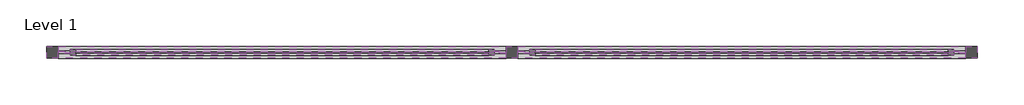
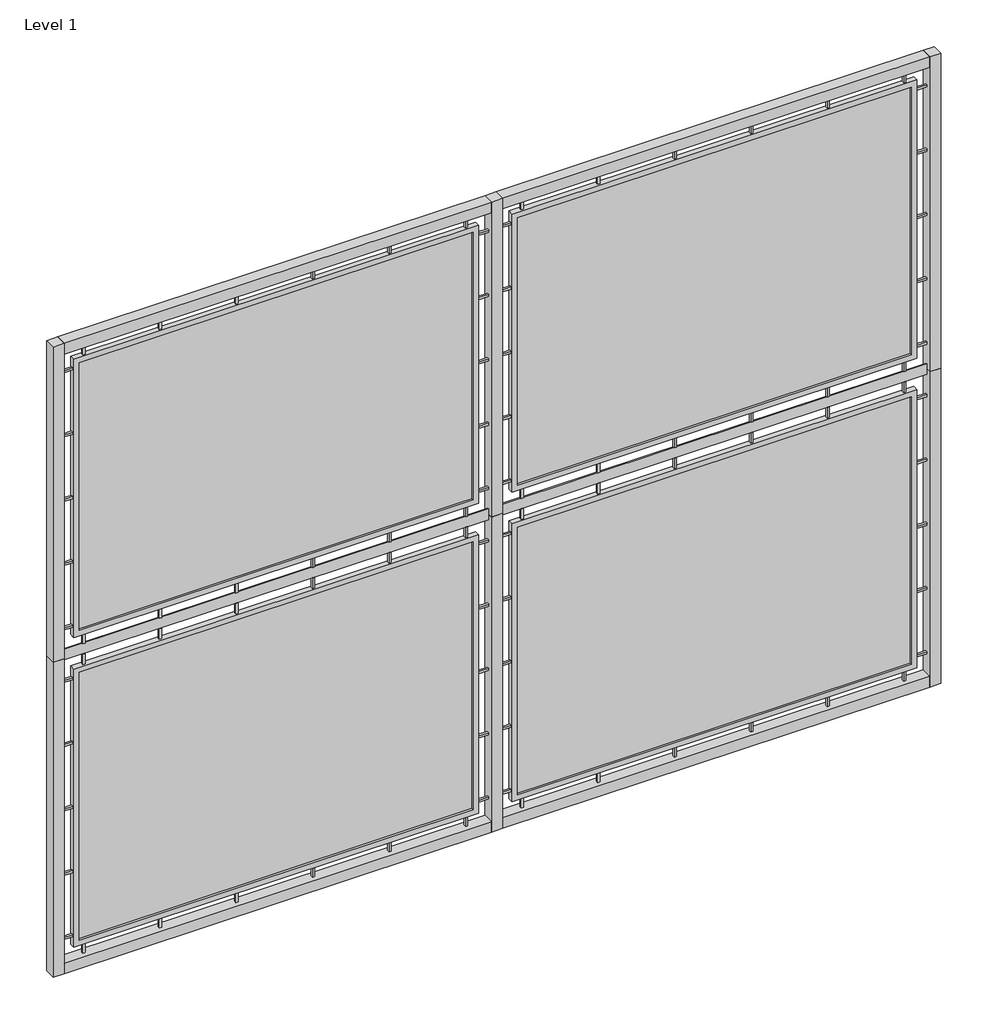
# One storey: 12 members, 4 plates.
"""IFC4 building model written with IfcOpenShell, lengths in millimetres."""

import ifcopenshell
import ifcopenshell.guid

model = None  # the IFC model being written
_history = None  # IfcOwnerHistory: only IFC2X3 demands one
_inside = {}  # id of a spatial element -> (the spatial element, [elements in it])
_under = {}  # id of a project, library or spatial element -> (it, [spatial elements below it])
_declared = {}  # id of a project -> (the project, [libraries it declares])
_typed = {}  # id of a type object -> (the type object, [elements of that type])
_made_of = {}  # id of a material, layer set ... -> (it, [elements and type objects made of it])


def new_model(schema):
    """Start an empty IFC model of exactly this schema.

    Asked for "IFC4X3", IfcOpenShell would pick the latest addendum, in which some entities
    have other attributes; the version numbers below select the first issue.
    IFC2X3 requires an IfcOwnerHistory on every rooted entity: one is made here for all.
    """
    global model, _history
    if schema == "IFC4X3":
        model = ifcopenshell.file(schema_version=(4, 3, 0, 0))
    else:
        model = ifcopenshell.file(schema=schema)
    _inside.clear()
    _under.clear()
    _declared.clear()
    _typed.clear()
    _made_of.clear()
    _history = None
    if model.schema == "IFC2X3":
        org = make("IfcOrganization", Name="unknown")
        user = make(
            "IfcPersonAndOrganization",
            ThePerson=make("IfcPerson", FamilyName="unknown"),
            TheOrganization=org,
        )
        app = make(
            "IfcApplication",
            ApplicationDeveloper=org,
            Version="unknown",
            ApplicationFullName="unknown",
            ApplicationIdentifier="unknown",
        )
        _history = make(
            "IfcOwnerHistory",
            OwningUser=user,
            OwningApplication=app,
            ChangeAction="ADDED",
            CreationDate=0,
        )
    return model


def make(cls, **values):
    """One entity of the class cls with the attributes given. An attribute that is None is left unset."""
    return model.create_entity(
        cls, **{name: value for name, value in values.items() if value is not None}
    )


def rooted(cls, **values):
    """An entity with a GlobalId (a new one), such as an element, a storey or a relation."""
    return make(cls, GlobalId=ifcopenshell.guid.new(), OwnerHistory=_history, **values)


def si_unit(unit_type, name, prefix=None):
    """IfcSIUnit, for example si_unit("LENGTHUNIT", "METRE", prefix="MILLI")."""
    return make("IfcSIUnit", UnitType=unit_type, Prefix=prefix, Name=name)


def assignment(units):
    """IfcUnitAssignment: the units of a project."""
    return None if units is None else make("IfcUnitAssignment", Units=units)


def point(xyz):
    """IfcCartesianPoint."""
    return None if xyz is None else make("IfcCartesianPoint", Coordinates=xyz)


def direction(xyz):
    """IfcDirection."""
    return None if xyz is None else make("IfcDirection", DirectionRatios=xyz)


def frame(location, z_axis=None, x_axis=None):
    """IfcAxis2Placement3D, a coordinate frame: its origin and axes. An axis left out is left unset."""
    return make(
        "IfcAxis2Placement3D",
        Location=point(location),
        Axis=direction(z_axis),
        RefDirection=direction(x_axis),
    )


def origin():
    """The frame at (0, 0, 0) with its axes left unset."""
    return frame((0.0, 0.0, 0.0))


def origin_with_axes():
    """The frame at (0, 0, 0) with the z axis (0, 0, 1) and the x axis (1, 0, 0) written out."""
    return frame((0.0, 0.0, 0.0), z_axis=(0.0, 0.0, 1.0), x_axis=(1.0, 0.0, 0.0))


def place(relative_to, where):
    """IfcLocalPlacement: puts the frame where relative to a parent placement (None: the world)."""
    return make(
        "IfcLocalPlacement", PlacementRelTo=relative_to, RelativePlacement=where
    )


def context(
    kind, dimensions, precision=None, world=None, true_north=None, identifier=None
):
    """IfcGeometricRepresentationContext, for example the 3D "Model" context."""
    return make(
        "IfcGeometricRepresentationContext",
        ContextIdentifier=identifier,
        ContextType=kind,
        CoordinateSpaceDimension=dimensions,
        Precision=precision,
        WorldCoordinateSystem=world,
        TrueNorth=true_north,
    )


def project(units=None, contexts=None):
    """IfcProject with its units and contexts."""
    return rooted(
        "IfcProject",
        Name="project",
        RepresentationContexts=contexts,
        UnitsInContext=assignment(units),
    )


def spatial(cls, under=None, at=None, **own):
    """A site, building, storey or space (cls), placed at a placement, below another one or the project."""
    s = rooted(cls, ObjectPlacement=at, **own)
    if under is not None:
        _under.setdefault(under.id(), (under, []))[1].append(s)
    return s


def polyline(points):
    """IfcPolyline through the points."""
    return make("IfcPolyline", Points=[point(p) for p in points])


def outline(outer, holes=None, kind="AREA"):
    """IfcArbitraryClosedProfileDef: a profile drawn as a closed curve; with holes, ...WithVoids."""
    if holes is None:
        return make("IfcArbitraryClosedProfileDef", ProfileType=kind, OuterCurve=outer)
    return make(
        "IfcArbitraryProfileDefWithVoids",
        ProfileType=kind,
        OuterCurve=outer,
        InnerCurves=holes,
    )


def extrude(swept, where, along, depth):
    """IfcExtrudedAreaSolid: the profile swept, set in the frame where, extruded along a direction by depth."""
    return make(
        "IfcExtrudedAreaSolid",
        SweptArea=swept,
        Position=where,
        ExtrudedDirection=direction(along),
        Depth=depth,
    )


def shape(context_of_items, identifier, shape_type, items):
    """IfcShapeRepresentation: the items that make up one representation, for example the "Body"."""
    return make(
        "IfcShapeRepresentation",
        ContextOfItems=context_of_items,
        RepresentationIdentifier=identifier,
        RepresentationType=shape_type,
        Items=items,
    )


def source(mapping_origin, context_of_items, identifier, shape_type, items):
    """IfcRepresentationMap: a shape defined once, which mapped items show again and again."""
    return make(
        "IfcRepresentationMap",
        MappingOrigin=mapping_origin,
        MappedRepresentation=shape(context_of_items, identifier, shape_type, items),
    )


def transform(
    local_origin,
    x_axis=None,
    y_axis=None,
    z_axis=None,
    scale=None,
    scale2=None,
    scale3=None,
    uniform=True,
):
    """IfcCartesianTransformationOperator3D, or its non-uniform kind. x_axis, y_axis, z_axis: its Axis1, 2, 3."""
    if uniform:
        return make(
            "IfcCartesianTransformationOperator3D",
            Axis1=direction(x_axis),
            Axis2=direction(y_axis),
            LocalOrigin=point(local_origin),
            Scale=scale,
            Axis3=direction(z_axis),
        )
    return make(
        "IfcCartesianTransformationOperator3DnonUniform",
        Axis1=direction(x_axis),
        Axis2=direction(y_axis),
        LocalOrigin=point(local_origin),
        Scale=scale,
        Axis3=direction(z_axis),
        Scale2=scale2,
        Scale3=scale3,
    )


def mapped(mapping_source, mapping_target):
    """IfcMappedItem: shows the shape of a source again, moved by a transform."""
    return make(
        "IfcMappedItem", MappingSource=mapping_source, MappingTarget=mapping_target
    )


def made_of(thing, what):
    """Note that an element or type object is made of a material, layer set ...; save() writes the relation."""
    if what is not None:
        _made_of.setdefault(what.id(), (what, []))[1].append(thing)
    return thing


def element(
    cls,
    number,
    at=None,
    inside=None,
    cuts=None,
    type_object=None,
    material=None,
    context=None,
    identifier="Body",
    shape_type=None,
    held_by="IfcProductDefinitionShape",
    body=None,
    shapes=None,
    **own,
):
    """One element of the class cls, such as IfcWall. Its Tag is "e" and its number.

    at: its placement. inside: the storey or other place that contains it. cuts: it is an
    opening in that element (IfcRelVoidsElement). A single representation is given by context,
    identifier, shape_type and body (its items); several are given by shapes. held_by: the class
    of the entity that holds the representations. save() writes the other relations.
    """
    e = rooted(cls, Tag="e%d" % number, ObjectPlacement=at, **own)
    if body is not None:
        shapes = [shape(context, identifier, shape_type, body)]
    if shapes is not None:
        e.Representation = make(held_by, Representations=shapes)
    if inside is not None:
        _inside.setdefault(inside.id(), (inside, []))[1].append(e)
    if cuts is not None:
        rooted(
            "IfcRelVoidsElement", RelatingBuildingElement=cuts, RelatedOpeningElement=e
        )
    if type_object is not None:
        _typed.setdefault(type_object.id(), (type_object, []))[1].append(e)
    return made_of(e, material)


def aggregate(whole, parts):
    """IfcRelAggregates: a whole, such as a stair, and the parts it consists of."""
    return rooted("IfcRelAggregates", RelatingObject=whole, RelatedObjects=parts)


def save(model, path):
    """Write the relations noted so far, then the file.

    IfcRelAggregates (storeys below a building ...), IfcRelContainedInSpatialStructure (elements
    in a storey), IfcRelDefinesByType, IfcRelAssociatesMaterial and IfcRelDeclares: one each for
    every whole, place, type object, material and project.
    """
    for whole, parts in _under.values():
        aggregate(whole, parts)
    for where, things in _inside.values():
        rooted(
            "IfcRelContainedInSpatialStructure",
            RelatedElements=things,
            RelatingStructure=where,
        )
    for kind, things in _typed.values():
        rooted("IfcRelDefinesByType", RelatedObjects=things, RelatingType=kind)
    for what, things in _made_of.values():
        rooted("IfcRelAssociatesMaterial", RelatedObjects=things, RelatingMaterial=what)
    for by, libraries in _declared.values():
        rooted("IfcRelDeclares", RelatingContext=by, RelatedDefinitions=libraries)
    model.write(path)


def rectangular_mullion_51mm_x_51mm_wire_mesh_12a4ddc7(model_context):
    return source(origin(), model_context, "Body", "SweptSolid", [
        extrude(outline(polyline([(0.0, 25.5), (0.0, -25.5), (-50.8, -25.5), (-50.8, 25.5), (0.0, 25.5)])), frame((0.0, 0.0, -1923.8), z_axis=(0.0, 0.0, 1.0), x_axis=(1.0, 0.0, 0.0)), (0.0, 0.0, 1.0), 1923.8),
    ])


def rectangular_mullion_51mm_x_51mm_wire_mesh_c18c90df(model_context):
    return source(origin(), model_context, "Body", "SweptSolid", [
        extrude(outline(polyline([(25.4, 25.5), (25.4, -25.5), (-25.4, -25.5), (-25.4, 25.5), (25.4, 25.5)])), frame((0.0, 0.0, -1500.0), z_axis=(0.0, 0.0, 1.0), x_axis=(1.0, 0.0, 0.0)), (0.0, 0.0, 1.0), 1500.0),
    ])


def rectangular_mullion_51mm_x_51mm_wire_mesh_1dc75150(model_context):
    return source(origin(), model_context, "Body", "SweptSolid", [
        extrude(outline(polyline([(0.0, 25.5), (0.0, -25.5), (-50.8, -25.5), (-50.8, 25.5), (0.0, 25.5)])), frame((0.0, 0.0, -1500.0), z_axis=(0.0, 0.0, 1.0), x_axis=(1.0, 0.0, 0.0)), (0.0, 0.0, 1.0), 1500.0),
    ])


def rectangular_mullion_51mm_x_6mm_wire_mesh_angle_e69eb967(model_context):
    return source(origin(), model_context, "Body", "SweptSolid", [
        extrude(outline(polyline([(25.0, 3.0), (25.0, -3.0), (-25.0, -3.0), (-25.0, 3.0), (25.0, 3.0)])), frame((0.0, 0.0, -1923.8), z_axis=(0.0, 0.0, 1.0), x_axis=(1.0, 0.0, 0.0)), (0.0, 0.0, 1.0), 1923.8),
    ])


def mesh_panel_mesh_panel_909ffc07(model_context):
    return source(origin(), model_context, "Body", "SweptSolid", [
        extrude(outline(polyline([(-856.9, 5.0), (-856.9, -5.0), (-866.9, -5.0), (-866.9, 5.0), (-856.9, 5.0)])), frame((0.0, 0.0, 1374.2), z_axis=(0.0, 0.0, 1.0), x_axis=(1.0, 0.0, 0.0)), (0.0, 0.0, 1.0), 50.0),
        extrude(outline(polyline([(-856.9, 5.0), (-856.9, -5.0), (-866.9, -5.0), (-866.9, 5.0), (-856.9, 5.0)])), origin_with_axes(), (0.0, 0.0, 1.0), 50.0),
        extrude(outline(polyline([(-512.14, 5.0), (-512.14, -5.0), (-522.14, -5.0), (-522.14, 5.0), (-512.14, 5.0)])), frame((0.0, 0.0, 1374.2), z_axis=(0.0, 0.0, 1.0), x_axis=(1.0, 0.0, 0.0)), (0.0, 0.0, 1.0), 50.0),
        extrude(outline(polyline([(-512.14, 5.0), (-512.14, -5.0), (-522.14, -5.0), (-522.14, 5.0), (-512.14, 5.0)])), origin_with_axes(), (0.0, 0.0, 1.0), 50.0),
        extrude(outline(polyline([(-167.38, 5.0), (-167.38, -5.0), (-177.38, -5.0), (-177.38, 5.0), (-167.38, 5.0)])), frame((0.0, 0.0, 1374.2), z_axis=(0.0, 0.0, 1.0), x_axis=(1.0, 0.0, 0.0)), (0.0, 0.0, 1.0), 50.0),
        extrude(outline(polyline([(-167.38, 5.0), (-167.38, -5.0), (-177.38, -5.0), (-177.38, 5.0), (-167.38, 5.0)])), origin_with_axes(), (0.0, 0.0, 1.0), 50.0),
        extrude(outline(polyline([(177.38, 5.0), (177.38, -5.0), (167.38, -5.0), (167.38, 5.0), (177.38, 5.0)])), frame((0.0, 0.0, 1374.2), z_axis=(0.0, 0.0, 1.0), x_axis=(1.0, 0.0, 0.0)), (0.0, 0.0, 1.0), 50.0),
        extrude(outline(polyline([(177.38, 5.0), (177.38, -5.0), (167.38, -5.0), (167.38, 5.0), (177.38, 5.0)])), origin_with_axes(), (0.0, 0.0, 1.0), 50.0),
        extrude(outline(polyline([(522.14, 5.0), (522.14, -5.0), (512.14, -5.0), (512.14, 5.0), (522.14, 5.0)])), frame((0.0, 0.0, 1374.2), z_axis=(0.0, 0.0, 1.0), x_axis=(1.0, 0.0, 0.0)), (0.0, 0.0, 1.0), 50.0),
        extrude(outline(polyline([(522.14, 5.0), (522.14, -5.0), (512.14, -5.0), (512.14, 5.0), (522.14, 5.0)])), origin_with_axes(), (0.0, 0.0, 1.0), 50.0),
        extrude(outline(polyline([(-961.9, -5.0), (-961.9, 5.0), (-911.9, 5.0), (-911.9, -5.0), (-961.9, -5.0)])), frame((0.0, 0.0, 1319.2), z_axis=(0.0, 0.0, 1.0), x_axis=(1.0, 0.0, 0.0)), (0.0, 0.0, 1.0), 10.0),
        extrude(outline(polyline([(911.9, -5.0), (911.9, 5.0), (961.9, 5.0), (961.9, -5.0), (911.9, -5.0)])), frame((0.0, 0.0, 1319.2), z_axis=(0.0, 0.0, 1.0), x_axis=(1.0, 0.0, 0.0)), (0.0, 0.0, 1.0), 10.0),
        extrude(outline(polyline([(-961.9, -5.0), (-961.9, 5.0), (-911.9, 5.0), (-911.9, -5.0), (-961.9, -5.0)])), frame((0.0, 0.0, 1013.15), z_axis=(0.0, 0.0, 1.0), x_axis=(1.0, 0.0, 0.0)), (0.0, 0.0, 1.0), 10.0),
        extrude(outline(polyline([(911.9, -5.0), (911.9, 5.0), (961.9, 5.0), (961.9, -5.0), (911.9, -5.0)])), frame((0.0, 0.0, 1013.15), z_axis=(0.0, 0.0, 1.0), x_axis=(1.0, 0.0, 0.0)), (0.0, 0.0, 1.0), 10.0),
        extrude(outline(polyline([(-961.9, -5.0), (-961.9, 5.0), (-911.9, 5.0), (-911.9, -5.0), (-961.9, -5.0)])), frame((0.0, 0.0, 707.1), z_axis=(0.0, 0.0, 1.0), x_axis=(1.0, 0.0, 0.0)), (0.0, 0.0, 1.0), 10.0),
        extrude(outline(polyline([(911.9, -5.0), (911.9, 5.0), (961.9, 5.0), (961.9, -5.0), (911.9, -5.0)])), frame((0.0, 0.0, 707.1), z_axis=(0.0, 0.0, 1.0), x_axis=(1.0, 0.0, 0.0)), (0.0, 0.0, 1.0), 10.0),
        extrude(outline(polyline([(-961.9, -5.0), (-961.9, 5.0), (-911.9, 5.0), (-911.9, -5.0), (-961.9, -5.0)])), frame((0.0, 0.0, 401.05), z_axis=(0.0, 0.0, 1.0), x_axis=(1.0, 0.0, 0.0)), (0.0, 0.0, 1.0), 10.0),
        extrude(outline(polyline([(911.9, -5.0), (911.9, 5.0), (961.9, 5.0), (961.9, -5.0), (911.9, -5.0)])), frame((0.0, 0.0, 401.05), z_axis=(0.0, 0.0, 1.0), x_axis=(1.0, 0.0, 0.0)), (0.0, 0.0, 1.0), 10.0),
        extrude(outline(polyline([(-961.9, -5.0), (-961.9, 5.0), (-911.9, 5.0), (-911.9, -5.0), (-961.9, -5.0)])), frame((0.0, 0.0, 95.0), z_axis=(0.0, 0.0, 1.0), x_axis=(1.0, 0.0, 0.0)), (0.0, 0.0, 1.0), 10.0),
        extrude(outline(polyline([(911.9, -5.0), (911.9, 5.0), (961.9, 5.0), (961.9, -5.0), (911.9, -5.0)])), frame((0.0, 0.0, 95.0), z_axis=(0.0, 0.0, 1.0), x_axis=(1.0, 0.0, 0.0)), (0.0, 0.0, 1.0), 10.0),
        extrude(outline(polyline([(866.9, 5.0), (866.9, -5.0), (856.9, -5.0), (856.9, 5.0), (866.9, 5.0)])), frame((0.0, 0.0, 1374.2), z_axis=(0.0, 0.0, 1.0), x_axis=(1.0, 0.0, 0.0)), (0.0, 0.0, 1.0), 50.0),
        extrude(outline(polyline([(866.9, 5.0), (866.9, -5.0), (856.9, -5.0), (856.9, 5.0), (866.9, 5.0)])), origin_with_axes(), (0.0, 0.0, 1.0), 50.0),
        extrude(outline(polyline([(886.9, -2.0), (-886.9, -2.0), (-886.9, 2.0), (886.9, 2.0), (886.9, -2.0)])), frame((0.0, 0.0, 75.0), z_axis=(0.0, 0.0, 1.0), x_axis=(1.0, 0.0, 0.0)), (0.0, 0.0, 1.0), 1274.2),
        extrude(outline(polyline([(50.0, -911.9), (50.0, 911.9), (1374.2, 911.9), (1374.2, -911.9), (50.0, -911.9)]), holes=[polyline([(1349.2, -886.9), (1349.2, 886.9), (75.0, 886.9), (75.0, -886.9), (1349.2, -886.9)])]), frame((0.0, -12.5, 0.0), z_axis=(0.0, 1.0, 0.0), x_axis=(0.0, 0.0, 1.0)), (0.0, 0.0, 1.0), 25.0),
    ])


model = new_model("IFC4")

# Units and contexts
model_context = context("Model", 3, world=origin())
ifc_project = project(units=[si_unit("LENGTHUNIT", "METRE", prefix="MILLI")], contexts=[model_context])

# Site, building, storey
site = spatial("IfcSite", under=ifc_project)
building = spatial("IfcBuilding", under=site)
storey = spatial("IfcBuildingStorey", under=building, Name="Level 1", Elevation=0.0)

# Members
placement = place(None, origin())
rectangular_mullion_51mm_x_51mm_wire_mesh_shape = rectangular_mullion_51mm_x_51mm_wire_mesh_12a4ddc7(model_context)
element("IfcMember", 1, ObjectType="Rectangular Mullion : 51mm x 51mm - Wire Mesh", at=placement, inside=storey, context=model_context, shape_type="MappedRepresentation", body=[
    mapped(rectangular_mullion_51mm_x_51mm_wire_mesh_shape, transform((1672.1093062, -432.1184778, 3000.0), x_axis=(0.0, 0.0, 1.0), y_axis=(0.0, -1.0, 0.0), z_axis=(1.0, 0.0, 0.0))),
])
element("IfcMember", 2, ObjectType="Rectangular Mullion : 51mm x 51mm - Wire Mesh", at=placement, inside=storey, context=model_context, shape_type="MappedRepresentation", body=[
    mapped(rectangular_mullion_51mm_x_51mm_wire_mesh_shape, transform((-302.4906938, -432.1184778, 3000.0), x_axis=(0.0, 0.0, 1.0), y_axis=(0.0, -1.0, 0.0), z_axis=(1.0, 0.0, 0.0))),
])
element("IfcMember", 3, ObjectType="Rectangular Mullion : 51mm x 51mm - Wire Mesh", at=placement, inside=storey, context=model_context, shape_type="MappedRepresentation", body=[
    mapped(rectangular_mullion_51mm_x_51mm_wire_mesh_shape, transform((-2226.2906938, -432.1184778, 0.0), x_axis=(0.0, 0.0, -1.0), y_axis=(0.0, -1.0, 0.0), z_axis=(-1.0, 0.0, 0.0))),
])
element("IfcMember", 4, ObjectType="Rectangular Mullion : 51mm x 51mm - Wire Mesh", at=placement, inside=storey, context=model_context, shape_type="MappedRepresentation", body=[
    mapped(rectangular_mullion_51mm_x_51mm_wire_mesh_shape, transform((-251.6906938, -432.1184778, 0.0), x_axis=(0.0, 0.0, -1.0), y_axis=(0.0, -1.0, 0.0), z_axis=(-1.0, 0.0, 0.0))),
])
rectangular_mullion_51mm_x_51mm_wire_mesh_2_shape = rectangular_mullion_51mm_x_51mm_wire_mesh_c18c90df(model_context)
element("IfcMember", 5, ObjectType="Rectangular Mullion : 51mm x 51mm - Wire Mesh", at=placement, inside=storey, context=model_context, shape_type="MappedRepresentation", body=[
    mapped(rectangular_mullion_51mm_x_51mm_wire_mesh_2_shape, transform((-277.0906938, -432.1184778, 0.0), x_axis=(1.0, 0.0, 0.0), y_axis=(0.0, -1.0, 0.0), z_axis=(0.0, 0.0, -1.0))),
])
element("IfcMember", 6, ObjectType="Rectangular Mullion : 51mm x 51mm - Wire Mesh", at=placement, inside=storey, context=model_context, shape_type="MappedRepresentation", body=[
    mapped(rectangular_mullion_51mm_x_51mm_wire_mesh_2_shape, transform((-277.0906938, -432.1184778, 1500.0), x_axis=(1.0, 0.0, 0.0), y_axis=(0.0, -1.0, 0.0), z_axis=(0.0, 0.0, -1.0))),
])
rectangular_mullion_51mm_x_51mm_wire_mesh_3_shape = rectangular_mullion_51mm_x_51mm_wire_mesh_1dc75150(model_context)
element("IfcMember", 7, ObjectType="Rectangular Mullion : 51mm x 51mm - Wire Mesh", at=placement, inside=storey, context=model_context, shape_type="MappedRepresentation", body=[
    mapped(rectangular_mullion_51mm_x_51mm_wire_mesh_3_shape, transform((1722.9093062, -432.1184778, 0.0), x_axis=(1.0, 0.0, 0.0), y_axis=(0.0, -1.0, 0.0), z_axis=(0.0, 0.0, -1.0))),
])
element("IfcMember", 8, ObjectType="Rectangular Mullion : 51mm x 51mm - Wire Mesh", at=placement, inside=storey, context=model_context, shape_type="MappedRepresentation", body=[
    mapped(rectangular_mullion_51mm_x_51mm_wire_mesh_3_shape, transform((1722.9093062, -432.1184778, 1500.0), x_axis=(1.0, 0.0, 0.0), y_axis=(0.0, -1.0, 0.0), z_axis=(0.0, 0.0, -1.0))),
])
element("IfcMember", 9, ObjectType="Rectangular Mullion : 51mm x 51mm - Wire Mesh", at=placement, inside=storey, context=model_context, shape_type="MappedRepresentation", body=[
    mapped(rectangular_mullion_51mm_x_51mm_wire_mesh_3_shape, transform((-2277.0906938, -432.1184778, 3000.0), x_axis=(-1.0, 0.0, 0.0), y_axis=(0.0, -1.0, 0.0), z_axis=(0.0, 0.0, 1.0))),
])
element("IfcMember", 10, ObjectType="Rectangular Mullion : 51mm x 51mm - Wire Mesh", at=placement, inside=storey, context=model_context, shape_type="MappedRepresentation", body=[
    mapped(rectangular_mullion_51mm_x_51mm_wire_mesh_3_shape, transform((-2277.0906938, -432.1184778, 1500.0), x_axis=(-1.0, 0.0, 0.0), y_axis=(0.0, -1.0, 0.0), z_axis=(0.0, 0.0, 1.0))),
])
rectangular_mullion_51mm_x_6mm_wire_mesh_angle_shape = rectangular_mullion_51mm_x_6mm_wire_mesh_angle_e69eb967(model_context)
element("IfcMember", 11, ObjectType="Rectangular Mullion : 51mm x 6mm - Wire Mesh Angle", at=placement, inside=storey, context=model_context, shape_type="MappedRepresentation", body=[
    mapped(rectangular_mullion_51mm_x_6mm_wire_mesh_angle_shape, transform((-302.4906938, -432.1184778, 1500.0), x_axis=(0.0, 0.0, 1.0), y_axis=(0.0, -1.0, 0.0), z_axis=(1.0, 0.0, 0.0))),
])
element("IfcMember", 12, ObjectType="Rectangular Mullion : 51mm x 6mm - Wire Mesh Angle", at=placement, inside=storey, context=model_context, shape_type="MappedRepresentation", body=[
    mapped(rectangular_mullion_51mm_x_6mm_wire_mesh_angle_shape, transform((1672.1093062, -432.1184778, 1500.0), x_axis=(0.0, 0.0, 1.0), y_axis=(0.0, -1.0, 0.0), z_axis=(1.0, 0.0, 0.0))),
])

# Plates
mesh_panel_mesh_panel_shape = mesh_panel_mesh_panel_909ffc07(model_context)
element("IfcPlate", 13, ObjectType="Mesh Panel : Mesh Panel", at=placement, inside=storey, context=model_context, shape_type="MappedRepresentation", body=[
    mapped(mesh_panel_mesh_panel_shape, transform((-1264.3906938, -432.1184778, 50.8), x_axis=(1.0, 0.0, 0.0), y_axis=(0.0, 1.0, 0.0), z_axis=(0.0, 0.0, 1.0))),
])
element("IfcPlate", 14, ObjectType="Mesh Panel : Mesh Panel", at=placement, inside=storey, context=model_context, shape_type="MappedRepresentation", body=[
    mapped(mesh_panel_mesh_panel_shape, transform((-1264.3906938, -432.1184778, 1525.0), x_axis=(1.0, 0.0, 0.0), y_axis=(0.0, 1.0, 0.0), z_axis=(0.0, 0.0, 1.0))),
])
element("IfcPlate", 15, ObjectType="Mesh Panel : Mesh Panel", at=placement, inside=storey, context=model_context, shape_type="MappedRepresentation", body=[
    mapped(mesh_panel_mesh_panel_shape, transform((710.2093062, -432.1184778, 50.8), x_axis=(1.0, 0.0, 0.0), y_axis=(0.0, 1.0, 0.0), z_axis=(0.0, 0.0, 1.0))),
])
element("IfcPlate", 16, ObjectType="Mesh Panel : Mesh Panel", at=placement, inside=storey, context=model_context, shape_type="MappedRepresentation", body=[
    mapped(mesh_panel_mesh_panel_shape, transform((710.2093062, -432.1184778, 1525.0), x_axis=(1.0, 0.0, 0.0), y_axis=(0.0, 1.0, 0.0), z_axis=(0.0, 0.0, 1.0))),
])

save(model, "model.ifc")
